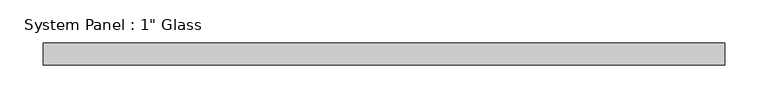
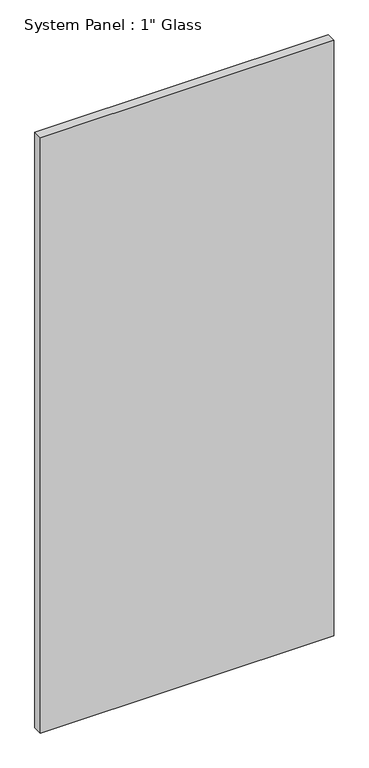
"""IFC4 building model written with IfcOpenShell, lengths in millimetres: plate geometry."""

from ifc_helpers import new_model, si_unit, origin, origin_with_axes, place, context, project, spatial, polyline, outline, extrude, source, transform, mapped, element, save


def plate_db626bf7(model_context):
    return source(origin(), model_context, "Body", "SweptSolid", [
        extrude(outline(polyline([(395.2875, -12.7), (-395.2875, -12.7), (-395.2875, 12.7), (395.2875, 12.7), (395.2875, -12.7)])), origin_with_axes(), (0.0, 0.0, 1.0), 1695.45),
    ])


if __name__ == "__main__":
    model = new_model("IFC4")
    model_context = context("Model", 3, world=origin())
    ifc_project = project(units=[si_unit("LENGTHUNIT", "METRE", prefix="MILLI")], contexts=[model_context])
    site = spatial("IfcSite", under=ifc_project)
    building = spatial("IfcBuilding", under=site)
    placement = place(None, origin())
    plate_shape = plate_db626bf7(model_context)
    element("IfcPlate", 1, ObjectType="System Panel : 1\" Glass", at=placement, inside=building, context=model_context, shape_type="MappedRepresentation", body=[
        mapped(plate_shape, transform((0.0, 0.0, 0.0), x_axis=(1.0, 0.0, 0.0), y_axis=(0.0, 1.0, 0.0), z_axis=(0.0, 0.0, 1.0))),
    ])
    save(model, "model.ifc")
